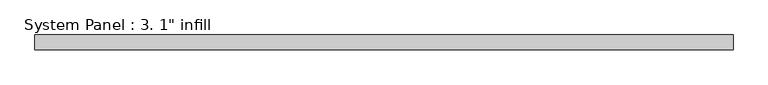
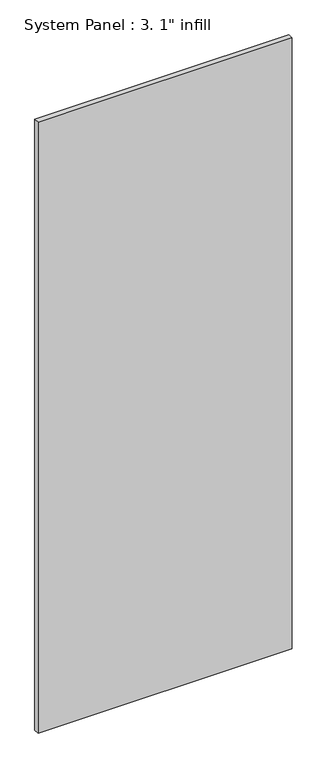
"""IFC4 building model written with IfcOpenShell, lengths in millimetres: plate geometry."""

from ifc_helpers import new_model, si_unit, origin, origin_with_axes, place, context, project, spatial, polyline, outline, extrude, source, transform, mapped, element, save


def plate_5d1304ca(model_context):
    return source(origin(), model_context, "Body", "SweptSolid", [
        extrude(outline(polyline([(600.075, 11.0132813), (-600.075, 11.0132813), (-600.075, 36.4132813), (600.075, 36.4132813), (600.075, 11.0132813)])), origin_with_axes(), (0.0, 0.0, 1.0), 3048.0),
    ])


if __name__ == "__main__":
    model = new_model("IFC4")
    model_context = context("Model", 3, world=origin())
    ifc_project = project(units=[si_unit("LENGTHUNIT", "METRE", prefix="MILLI")], contexts=[model_context])
    site = spatial("IfcSite", under=ifc_project)
    building = spatial("IfcBuilding", under=site)
    placement = place(None, origin())
    plate_shape = plate_5d1304ca(model_context)
    element("IfcPlate", 1, ObjectType="System Panel : 3. 1\" infill", at=placement, inside=building, context=model_context, shape_type="MappedRepresentation", body=[
        mapped(plate_shape, transform((0.0, 0.0, 0.0), x_axis=(1.0, 0.0, 0.0), y_axis=(0.0, 1.0, 0.0), z_axis=(0.0, 0.0, 1.0))),
    ])
    save(model, "model.ifc")
